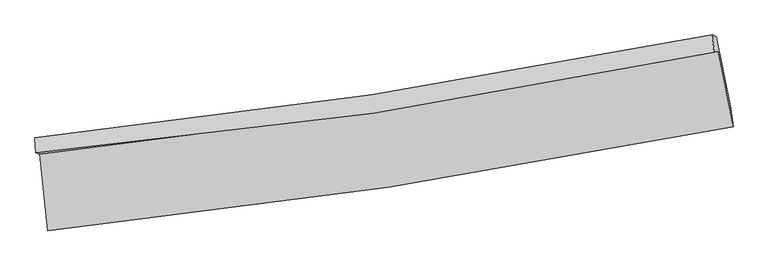
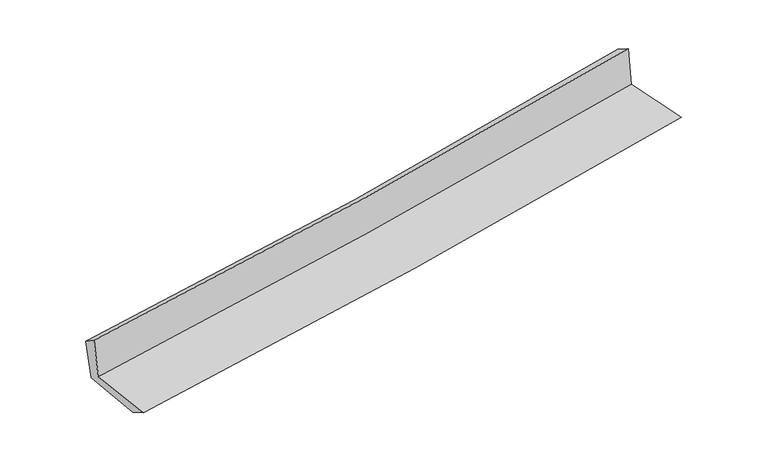
"""IFC4 building model written with IfcOpenShell, lengths in millimetres: proxy geometry."""

from ifc_helpers import new_model, si_unit, frame, origin, place, context, project, spatial, source, transform, mapped, element, save
from ifc_brep_helpers import plane_surface, spline_curve, spline_surface, advanced_brep


def generic_models_b0c89a17(model_context):
    return source(origin(), model_context, "Body", "AdvancedBrep", [
        advanced_brep(
        [(-3022.0998495, -1928.9519091, 1608.3225394), (-2952.1733049, -2605.4258627, 1603.6931566), (3118.3590046, -1684.0450434, 2132.78199), (2988.1746623, -1016.3106739, 2132.0637642), (-3058.3096976, -1916.0985482, 2008.7442048), (2953.2267471, -1024.8263747, 2536.6003436), (-3064.1986858, -1782.437675, 1918.6753785), (2931.8147942, -872.6917622, 2445.2851946), (-3027.2712494, -1812.5374937, 1530.3606339), (2970.0773176, -889.0613642, 2057.7610406), (-2961.0682785, -2441.9247211, 1512.9266942), (3095.9695024, -1521.6995368, 2030.259689)],
        [
            (0, 1),
            (1, 2, spline_curve(3, [(-2952.1733049, -2605.4258627, 1603.6931566), (-1943.161152414, -2501.37054324, 1704.958921322), (-936.974117533, -2373.402910419, 1799.372343457), (1086.632524097, -2067.087449171, 1975.967826557), (2103.956259209, -1887.928142355, 2057.917348744), (3118.3590046, -1684.0450434, 2132.78199)], [4, 2, 4], [0.0, 9.978956439099269, 20.125821179624904])),
            (2, 3),
            (3, 0, spline_curve(3, [(2988.1746623, -1016.3106739, 2132.0637642), (1983.892554371, -1215.02046016, 2058.165472122), (976.692540531, -1390.874189137, 1977.148194472), (-1026.828067326, -1694.337757792, 1802.334128307), (-2023.052891141, -1822.697773822, 1708.770997986), (-3022.0998495, -1928.9519091, 1608.3225394)], [4, 2, 4], [0.0, 10.146864740525634, 20.125821179624904])),
            (4, 0),
            (3, 5),
            (5, 4, spline_curve(3, [(2953.2267471, -1024.8263747, 2536.6003436), (1950.388621172, -1237.98352514, 2469.719141885), (943.797651891, -1419.190076914, 2391.832482336), (-1060.171004846, -1715.232126424, 2215.519217551), (-2057.425517069, -1831.116298885, 2117.453830562), (-3058.3096976, -1916.0985482, 2008.7442048)], [4, 2, 4], [0.0, 10.09547535437647, 20.023892788676903])),
            (6, 4),
            (5, 7),
            (7, 6, spline_curve(3, [(2931.8147942, -872.6917622, 2445.2851946), (1931.289393734, -1073.808339211, 2361.676571153), (927.160394742, -1250.610104406, 2275.601579116), (-1071.629041963, -1553.060686597, 2099.984023122), (-2066.171202691, -1679.507559392, 2010.522409642), (-3064.1986858, -1782.437675, 1918.6753785)], [4, 2, 4], [0.0, 10.083739161578444, 20.000614611267153])),
            (8, 6),
            (7, 9),
            (9, 8, spline_curve(3, [(2970.0773176, -889.0613642, 2057.7610406), (1970.105568349, -1096.855808013, 1974.468834152), (966.137964072, -1278.132006237, 1888.483744258), (-1033.109376037, -1585.087006722, 1712.595223222), (-2028.257960654, -1711.636185359, 1622.780177513), (-3027.2712494, -1812.5374937, 1530.3606339)], [4, 2, 4], [0.0, 10.075879453151265, 19.985025255306034])),
            (10, 8),
            (9, 11),
            (11, 10, spline_curve(3, [(3095.9695024, -1521.6995368, 2030.259689), (2084.135425491, -1724.255832485, 1953.653099773), (1069.228695693, -1902.6593558, 1871.835937983), (-949.884747764, -2208.608347024, 1699.220585881), (-1953.990611774, -2336.946551848, 1608.593416339), (-2961.0682785, -2441.9247211, 1512.9266942)], [4, 2, 4], [0.0, 10.126228696192385, 20.08489057211941])),
            (1, 10),
            (11, 2),
        ],
        [
            spline_surface(3, 3, [[(-3022.0998495, -1928.9519091, 1608.3225394), (-2023.052891015, -1822.697773911, 1708.770997964), (-1026.828067454, -1694.337757826, 1802.334128382), (976.692540661, -1390.874189102, 1977.148194396), (1983.892554347, -1215.020460066, 2058.165472224), (2988.1746623, -1016.3106739, 2132.0637642)], [(-2998.791001289, -2154.443226971, 1606.779411803), (-1996.422311521, -2048.922030374, 1707.500305793), (-996.876750867, -1920.692808649, 1801.346866807), (1013.339201841, -1616.27860914, 1976.754738428), (2023.913789287, -1439.323020833, 2058.082764397), (3031.569443073, -1238.888797039, 2132.30317281)], [(-2975.482153111, -2379.934544829, 1605.236284197), (-1969.791732059, -2275.146286824, 1706.229613613), (-966.925434251, -2147.047859512, 1800.359605163), (1049.98586305, -1841.683029218, 1976.361282392), (2063.935024208, -1663.625581682, 2058.000056539), (3074.964223827, -1461.466920261, 2132.54258139)], [(-2952.1733049, -2605.4258627, 1603.6931566), (-1943.161152566, -2501.370543286, 1704.958921443), (-936.974117664, -2373.402910336, 1799.372343587), (1086.632524229, -2067.087449256, 1975.967826425), (2103.956259148, -1887.928142449, 2057.917348712), (3118.3590046, -1684.0450434, 2132.78199)]], [4, 4], [4, 2, 4], [0.0, 2.2472658098648948], [0.0, 9.978956439099269, 20.125821179624904]),
            spline_surface(3, 3, [[(-3058.3096976, -1916.0985482, 2008.7442048), (-2057.425517017, -1831.116298804, 2117.453830612), (-1060.171004758, -1715.232126272, 2215.519217494), (943.797651802, -1419.190077068, 2391.832482394), (1950.388621063, -1237.983525076, 2469.719141769), (2953.2267471, -1024.8263747, 2536.6003436)], [(-3046.239748236, -1920.383001821, 1875.270316319), (-2045.967975019, -1828.310123828, 1981.226219715), (-1049.05669231, -1708.267336805, 2077.790854458), (954.762614768, -1409.75144776, 2253.604386396), (1961.556598809, -1230.329170076, 2332.534585245), (2964.876052151, -1021.98780777, 2401.754817124)], [(-3034.169798864, -1924.667455479, 1741.796427881), (-2034.510433013, -1825.503948888, 1844.998608861), (-1037.942379902, -1701.302547293, 1940.062491418), (965.727577695, -1400.312818409, 2115.376290394), (1972.724576601, -1222.674815067, 2195.350028748), (2976.525357249, -1019.14924083, 2266.909290676)], [(-3022.0998495, -1928.9519091, 1608.3225394), (-2023.052891015, -1822.697773911, 1708.770997964), (-1026.828067454, -1694.337757826, 1802.334128382), (976.692540661, -1390.874189102, 1977.148194396), (1983.892554347, -1215.020460066, 2058.165472224), (2988.1746623, -1016.3106739, 2132.0637642)]], [4, 4], [4, 2, 4], [0.0, 1.3648318319316142], [0.0, 9.928417434300433, 20.023892788676903]),
            spline_surface(3, 3, [[(-3064.1986858, -1782.437675, 1918.6753785), (-2066.171202795, -1679.507559241, 2010.522409708), (-1071.629041873, -1553.060686673, 2099.98402315), (927.16039465, -1250.610104329, 2275.601579088), (1931.289393668, -1073.808339258, 2361.676571037), (2931.8147942, -872.6917622, 2445.2851946)], [(-3062.235689733, -1826.991299405, 1948.698320591), (-2063.255974202, -1730.043805768, 2046.166216667), (-1067.809696169, -1607.117833193, 2138.495754602), (932.706147033, -1306.803428562, 2314.345213527), (1937.655802794, -1128.533401195, 2397.690761289), (2938.952111827, -923.403299698, 2475.723577608)], [(-3060.272693667, -1871.544923795, 1978.721262709), (-2060.34074561, -1780.580052278, 2081.810023653), (-1063.990350461, -1661.174979751, 2177.007486042), (938.251899419, -1362.996752834, 2353.088847955), (1944.022211938, -1183.258463139, 2433.704951517), (2946.089429473, -974.114837202, 2506.161960592)], [(-3058.3096976, -1916.0985482, 2008.7442048), (-2057.425517017, -1831.116298804, 2117.453830612), (-1060.171004758, -1715.232126272, 2215.519217494), (943.797651802, -1419.190077068, 2391.832482394), (1950.388621063, -1237.983525076, 2469.719141769), (2953.2267471, -1024.8263747, 2536.6003436)]], [4, 4], [4, 2, 4], [0.0, 0.664276210296846], [0.0, 9.916875449688709, 20.000614611267153]),
            spline_surface(3, 3, [[(-3027.2712494, -1812.5374937, 1530.3606339), (-2028.257960683, -1711.636185263, 1622.780177658), (-1033.109376002, -1585.087006812, 1712.595223359), (966.137964037, -1278.132006146, 1888.483744119), (1970.105568379, -1096.85580811, 1974.468834003), (2970.0773176, -889.0613642, 2057.7610406)], [(-3039.58039489, -1802.504220803, 1659.79888211), (-2040.895708077, -1700.926643258, 1752.027588352), (-1045.94926462, -1574.411566777, 1841.72482328), (953.145440913, -1268.958038885, 2017.523022432), (1957.166843493, -1089.173318521, 2103.538079689), (2957.323143151, -883.604830229, 2186.935758608)], [(-3051.88954031, -1792.470947897, 1789.23713029), (-2053.533455401, -1690.217101246, 1881.274999014), (-1058.789153255, -1563.736126708, 1970.854423229), (940.152917774, -1259.78407159, 2146.562300774), (1944.228118554, -1081.490828846, 2232.607325351), (2944.568968649, -878.148296171, 2316.110476592)], [(-3064.1986858, -1782.437675, 1918.6753785), (-2066.171202795, -1679.507559241, 2010.522409708), (-1071.629041873, -1553.060686673, 2099.98402315), (927.16039465, -1250.610104329, 2275.601579088), (1931.289393668, -1073.808339258, 2361.676571037), (2931.8147942, -872.6917622, 2445.2851946)]], [4, 4], [4, 2, 4], [0.0, 1.2805761422304727], [0.0, 9.90914580215477, 19.985025255306034]),
            spline_surface(3, 3, [[(-2961.0682785, -2441.9247211, 1512.9266942), (-1953.99061182, -2336.946551823, 1608.593416357), (-949.884747809, -2208.608347059, 1699.220586009), (1069.228695738, -1902.659355765, 1871.835937853), (2084.135425336, -1724.255832429, 1953.653099784), (3095.9695024, -1521.6995368, 2030.259689)], [(-2983.13593544, -2232.128978613, 1518.738007424), (-1978.746394748, -2128.509762949, 1613.322336781), (-977.626290565, -2000.767900299, 1703.678798458), (1034.86511848, -1694.483572548, 1877.385206608), (2046.12547302, -1515.122490963, 1960.59167783), (3054.005440803, -1310.820145906, 2039.426806173)], [(-3005.20359246, -2022.333236187, 1524.549320676), (-2003.502177755, -1920.072974137, 1618.051257233), (-1005.367833246, -1792.927453572, 1708.137010909), (1000.501541295, -1486.307789363, 1882.934475364), (2008.115520695, -1305.989149577, 1967.530255957), (3012.041379197, -1099.940755094, 2048.593923427)], [(-3027.2712494, -1812.5374937, 1530.3606339), (-2028.257960683, -1711.636185263, 1622.780177658), (-1033.109376002, -1585.087006812, 1712.595223359), (966.137964037, -1278.132006146, 1888.483744119), (1970.105568379, -1096.85580811, 1974.468834003), (2970.0773176, -889.0613642, 2057.7610406)]], [4, 4], [4, 2, 4], [0.0, 2.070708886655873], [0.0, 9.958661875927024, 20.08489057211941]),
            spline_surface(3, 3, [[(-2952.1733049, -2605.4258627, 1603.6931566), (-1943.161152566, -2501.370543286, 1704.958921443), (-936.974117664, -2373.402910336, 1799.372343587), (1086.632524229, -2067.087449256, 1975.967826425), (2103.956259148, -1887.928142449, 2057.917348712), (3118.3590046, -1684.0450434, 2132.78199)], [(-2955.138296111, -2550.925482187, 1573.437669152), (-1946.770972328, -2446.562546152, 1672.837086433), (-941.277661028, -2318.471389254, 1765.988424377), (1080.831248083, -2012.27808477, 1941.257196883), (2097.349314539, -1833.3707058, 2023.16259908), (3110.895837194, -1629.929874558, 2098.607889677)], [(-2958.103287289, -2496.425101613, 1543.182181648), (-1950.380792058, -2391.754548957, 1640.715251366), (-945.581204444, -2263.53986814, 1732.604505219), (1075.029971885, -1957.468720251, 1906.546567395), (2090.742369946, -1778.813269078, 1988.407849417), (3103.432669806, -1575.814705642, 2064.433789323)], [(-2961.0682785, -2441.9247211, 1512.9266942), (-1953.99061182, -2336.946551823, 1608.593416357), (-949.884747809, -2208.608347059, 1699.220586009), (1069.228695738, -1902.659355765, 1871.835937853), (2084.135425336, -1724.255832429, 1953.653099784), (3095.9695024, -1521.6995368, 2030.259689)]], [4, 4], [4, 2, 4], [0.0, 0.637584471146761], [0.0, 10.016991889904444, 20.202532074803486]),
            plane_surface(frame((3009.6036714, -1168.1057926, 2222.4586703), z_axis=(0.9776527677562835, 0.1907025197319019, 0.08847380779859215), x_axis=(-0.09817135360113977, 0.04199999992757353, 0.9942828497657011))),
            plane_surface(frame((-3014.1868443, -2081.2293683, 1697.1204346), z_axis=(-0.9910447661741683, -0.10185253732994565, -0.08635005546171066), x_axis=(-0.1028189057729422, 0.9946768006441755, 0.006806972595960619))),
        ],
        [
            (0, [[1, 2, 3, 4]]),
            (1, [[5, -4, 6, 7]]),
            (2, [[8, -7, 9, 10]]),
            (3, [[11, -10, 12, 13]]),
            (4, [[14, -13, 15, 16]]),
            (5, [[17, -16, 18, -2]]),
            (6, [[-12, -9, -6, -3, -18, -15]]),
            (7, [[-1, -5, -8, -11, -14, -17]]),
        ],
    ),
    ])


if __name__ == "__main__":
    model = new_model("IFC4")
    model_context = context("Model", 3, world=origin())
    ifc_project = project(units=[si_unit("LENGTHUNIT", "METRE", prefix="MILLI")], contexts=[model_context])
    site = spatial("IfcSite", under=ifc_project)
    building = spatial("IfcBuilding", under=site)
    placement = place(None, origin())
    generic_models_shape = generic_models_b0c89a17(model_context)
    element("IfcBuildingElementProxy", 1, Name="Generic Models", at=placement, inside=building, context=model_context, shape_type="MappedRepresentation", body=[
        mapped(generic_models_shape, transform((0.0, 0.0, 0.0), x_axis=(1.0, 0.0, 0.0), y_axis=(0.0, 1.0, 0.0), z_axis=(0.0, 0.0, 1.0))),
    ])
    save(model, "model.ifc")
